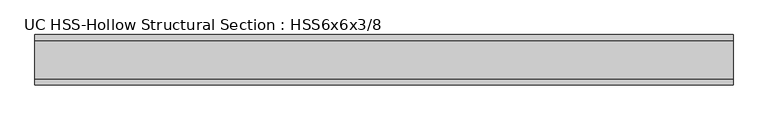
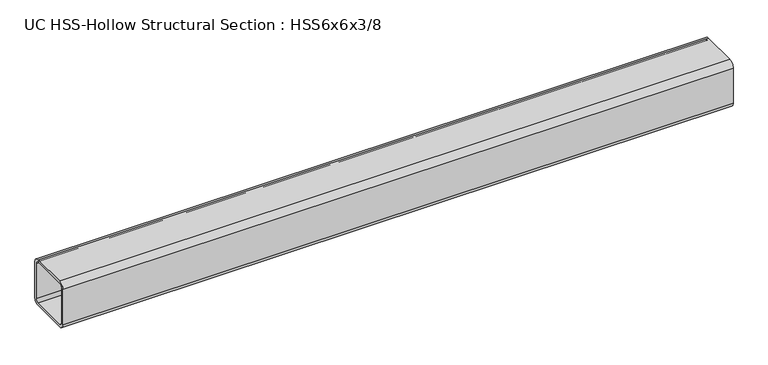
"""IFC4 building model written with IfcOpenShell, lengths in millimetres: beam geometry, UC HSS-Hollow Structural Section : HSS6x6x3/8."""

from ifc_helpers import new_model, si_unit, point, frame, frame_2d, origin, place, context, project, spatial, polyline, circle_curve, trimmed, segment, composite_curve, outline, extrude, source, transform, mapped, element, save


def uc_hss_hollow_structural_section_hss6x6x3_8_4802ea3e(model_context):
    return source(origin(), model_context, "Body", "SweptSolid", [
        extrude(outline(composite_curve([segment(polyline([(76.2, 58.4708), (76.2, -58.4708)]), True, "CONTINUOUS"), segment(trimmed(circle_curve(frame_2d((58.4708, -58.4708)), 17.7292), [point((76.2, -58.4708))], [point((58.4708, -76.2))], False, "CARTESIAN"), True, "CONTINUOUS"), segment(polyline([(58.4708, -76.2), (-58.4708, -76.2)]), True, "CONTINUOUS"), segment(trimmed(circle_curve(frame_2d((-58.4708, -58.4708)), 17.7292), [point((-58.4708, -76.2))], [point((-76.2, -58.4708))], False, "CARTESIAN"), True, "CONTINUOUS"), segment(polyline([(-76.2, -58.4708), (-76.2, 58.4708)]), True, "CONTINUOUS"), segment(trimmed(circle_curve(frame_2d((-58.4708, 58.4708)), 17.7292), [point((-76.2, 58.4708))], [point((-58.4708, 76.2))], False, "CARTESIAN"), True, "CONTINUOUS"), segment(polyline([(-58.4708, 76.2), (58.4708, 76.2)]), True, "CONTINUOUS"), segment(trimmed(circle_curve(frame_2d((58.4708, 58.4708)), 17.7292), [point((58.4708, 76.2))], [point((76.2, 58.4708))], False, "CARTESIAN"), True, "CONTINUOUS")], self_intersect=False), holes=[composite_curve([segment(trimmed(circle_curve(frame_2d((-58.4708, 58.4708)), 8.8646), [point((-58.4708, 67.3354))], [point((-67.3354, 58.4708))], True, "CARTESIAN"), True, "CONTINUOUS"), segment(polyline([(-67.3354, 58.4708), (-67.3354, -58.4708)]), True, "CONTINUOUS"), segment(trimmed(circle_curve(frame_2d((-58.4708, -58.4708)), 8.8646), [point((-67.3354, -58.4708))], [point((-58.4708, -67.3354))], True, "CARTESIAN"), True, "CONTINUOUS"), segment(polyline([(-58.4708, -67.3354), (58.4708, -67.3354)]), True, "CONTINUOUS"), segment(trimmed(circle_curve(frame_2d((58.4708, -58.4708)), 8.8646), [point((58.4708, -67.3354))], [point((67.3354, -58.4708))], True, "CARTESIAN"), True, "CONTINUOUS"), segment(polyline([(67.3354, -58.4708), (67.3354, 58.4708)]), True, "CONTINUOUS"), segment(trimmed(circle_curve(frame_2d((58.4708, 58.4708)), 8.8646), [point((67.3354, 58.4708))], [point((58.4708, 67.3354))], True, "CARTESIAN"), True, "CONTINUOUS"), segment(polyline([(58.4708, 67.3354), (-58.4708, 67.3354)]), True, "CONTINUOUS")], self_intersect=False)]), frame((-1069.0082881, 0.0, 0.0), z_axis=(1.0, 0.0, 0.0), x_axis=(0.0, 1.0, 0.0)), (0.0, 0.0, 1.0), 2109.7171175),
    ])


if __name__ == "__main__":
    model = new_model("IFC4")
    model_context = context("Model", 3, world=origin())
    ifc_project = project(units=[si_unit("LENGTHUNIT", "METRE", prefix="MILLI")], contexts=[model_context])
    site = spatial("IfcSite", under=ifc_project)
    building = spatial("IfcBuilding", under=site)
    placement = place(None, origin())
    uc_hss_hollow_structural_section_hss6x6x3_8_shape = uc_hss_hollow_structural_section_hss6x6x3_8_4802ea3e(model_context)
    element("IfcBeam", 1, ObjectType="UC HSS-Hollow Structural Section : HSS6x6x3/8", at=placement, inside=building, context=model_context, shape_type="MappedRepresentation", body=[
        mapped(uc_hss_hollow_structural_section_hss6x6x3_8_shape, transform((0.0, 0.0, 0.0), x_axis=(1.0, 0.0, 0.0), y_axis=(0.0, 1.0, 0.0), z_axis=(0.0, 0.0, 1.0))),
    ])
    save(model, "model.ifc")
